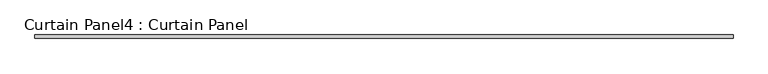
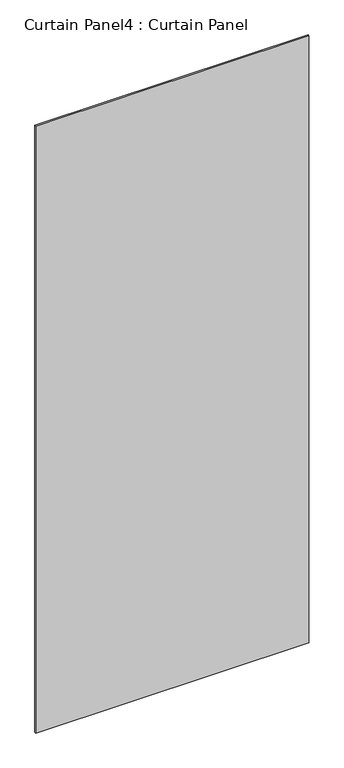
"""IFC4 building model written with IfcOpenShell, lengths in millimetres: plate geometry, Curtain Panel4 : Curtain Panel."""

from ifc_helpers import new_model, si_unit, frame, origin, place, context, project, spatial, polyline, outline, extrude, source, transform, mapped, element, save


def curtain_panel4_curtain_panel_c21e8311(model_context):
    return source(origin(), model_context, "Body", "SweptSolid", [
        extrude(outline(polyline([(-37984.1932622, -2001.9935914), (-39282.5095679, -2001.9935914), (-39282.5095679, -1995.6435914), (-37984.1932622, -1995.6435914), (-37984.1932622, -2001.9935914)])), frame((0.0, 0.0, 2685.7460791), z_axis=(0.0, 0.0, 1.0), x_axis=(1.0, 0.0, 0.0)), (0.0, 0.0, 1.0), 3048.0),
    ])


if __name__ == "__main__":
    model = new_model("IFC4")
    model_context = context("Model", 3, world=origin())
    ifc_project = project(units=[si_unit("LENGTHUNIT", "METRE", prefix="MILLI")], contexts=[model_context])
    site = spatial("IfcSite", under=ifc_project)
    building = spatial("IfcBuilding", under=site)
    placement = place(None, origin())
    curtain_panel4_curtain_panel_shape = curtain_panel4_curtain_panel_c21e8311(model_context)
    element("IfcPlate", 1, ObjectType="Curtain Panel4 : Curtain Panel", at=placement, inside=building, context=model_context, shape_type="MappedRepresentation", body=[
        mapped(curtain_panel4_curtain_panel_shape, transform((0.0, 0.0, 0.0), x_axis=(1.0, 0.0, 0.0), y_axis=(0.0, 1.0, 0.0), z_axis=(0.0, 0.0, 1.0))),
    ])
    save(model, "model.ifc")
